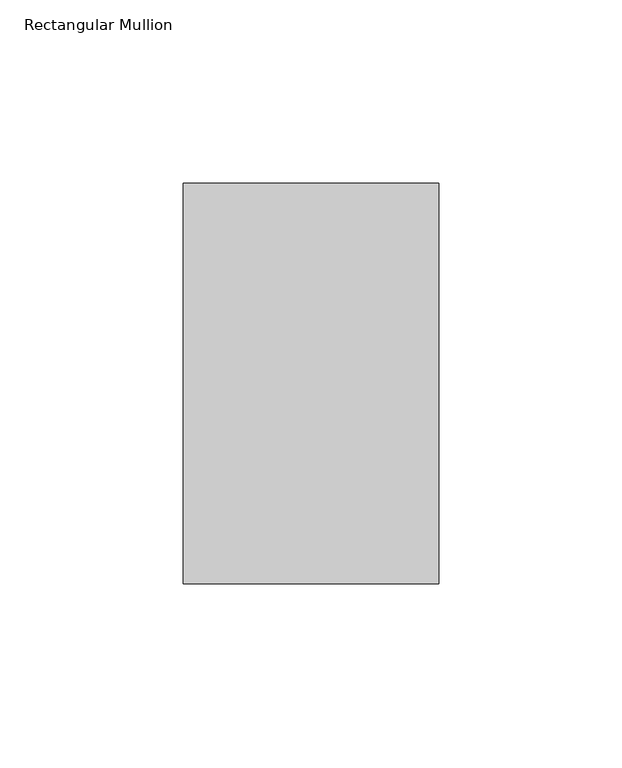
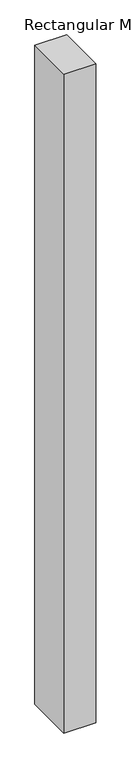
"""IFC4 building model written with IfcOpenShell, lengths in millimetres: member geometry, Rectangular Mullion."""

from ifc_helpers import new_model, si_unit, frame, origin, place, context, project, spatial, polyline, outline, extrude, source, transform, mapped, element, save


def rectangular_mullion_73a4980d(model_context):
    return source(origin(), model_context, "Body", "SweptSolid", [
        extrude(outline(polyline([(0.0, -83.34375), (-69.85, -83.34375), (-69.85, 26.19375), (0.0, 26.19375), (0.0, -83.34375)])), frame((0.0, 0.0, -1524.0), z_axis=(0.0, 0.0, 1.0), x_axis=(1.0, 0.0, 0.0)), (0.0, 0.0, 1.0), 1524.0),
    ])


if __name__ == "__main__":
    model = new_model("IFC4")
    model_context = context("Model", 3, world=origin())
    ifc_project = project(units=[si_unit("LENGTHUNIT", "METRE", prefix="MILLI")], contexts=[model_context])
    site = spatial("IfcSite", under=ifc_project)
    building = spatial("IfcBuilding", under=site)
    placement = place(None, origin())
    rectangular_mullion_shape = rectangular_mullion_73a4980d(model_context)
    element("IfcMember", 1, ObjectType="Rectangular Mullion", at=placement, inside=building, context=model_context, shape_type="MappedRepresentation", body=[
        mapped(rectangular_mullion_shape, transform((0.0, 0.0, 0.0), x_axis=(1.0, 0.0, 0.0), y_axis=(0.0, 1.0, 0.0), z_axis=(0.0, 0.0, 1.0))),
    ])
    save(model, "model.ifc")
